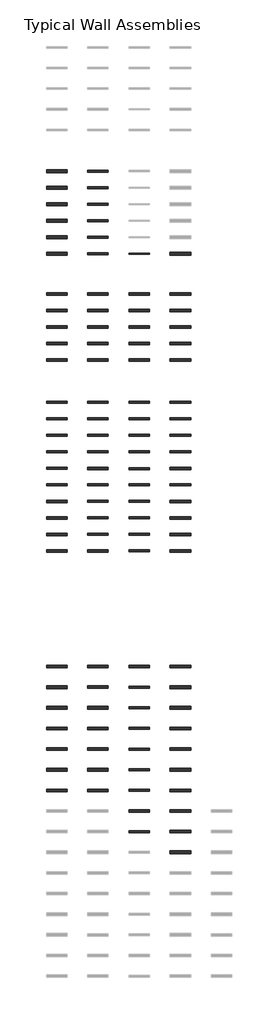
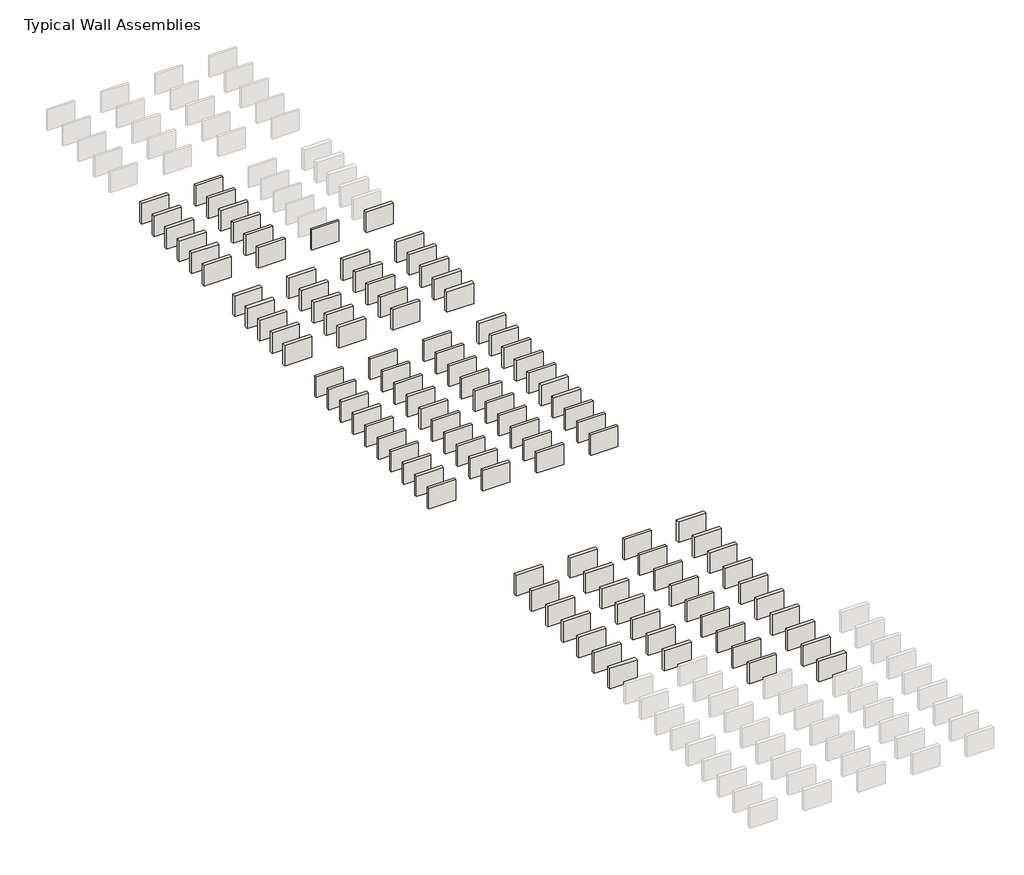
# One storey, part 2 of 8: 107 walls.
"""IFC4 building model written with IfcOpenShell, lengths in millimetres."""

from ifc_helpers import new_model, si_unit, frame, origin, place, context, project, spatial, polyline, outline, extrude, element, save

model = new_model("IFC4")

# Units and contexts
model_context = context("Model", 3, world=origin())
ifc_project = project(units=[si_unit("LENGTHUNIT", "METRE", prefix="MILLI")], contexts=[model_context])

# Site, building, storey
site = spatial("IfcSite", under=ifc_project)
building = spatial("IfcBuilding", under=site)
storey = spatial("IfcBuildingStorey", under=building, Name="Typical Wall Assemblies", Elevation=6096.0)

# Walls
placement = place(None, origin())
element("IfcWall", 1, at=placement, inside=storey, context=model_context, shape_type="SweptSolid", body=[
    extrude(outline(polyline([(-21027.125069, -20330.9967587), (-24075.125069, -20330.9967587), (-24075.125069, -19919.8342464), (-21027.125069, -19919.8342464), (-21027.125069, -20330.9967587)])), frame((0.0, 0.0, 6096.0), z_axis=(0.0, 0.0, 1.0), x_axis=(1.0, 0.0, 0.0)), (0.0, 0.0, 1.0), 2438.4),
])
element("IfcWall", 2, at=placement, inside=storey, context=model_context, shape_type="SweptSolid", body=[
    extrude(outline(polyline([(-14931.125069, -20287.3405068), (-17979.125069, -20287.3405068), (-17979.125069, -19963.4904983), (-14931.125069, -19963.4904983), (-14931.125069, -20287.3405068)])), frame((0.0, 0.0, 6096.0), z_axis=(0.0, 0.0, 1.0), x_axis=(1.0, 0.0, 0.0)), (0.0, 0.0, 1.0), 2438.4),
])
element("IfcWall", 3, at=placement, inside=storey, context=model_context, shape_type="SweptSolid", body=[
    extrude(outline(polyline([(-21027.125069, -22769.3967587), (-24075.125069, -22769.3967587), (-24075.125069, -22358.2342464), (-21027.125069, -22358.2342464), (-21027.125069, -22769.3967587)])), frame((0.0, 0.0, 6096.0), z_axis=(0.0, 0.0, 1.0), x_axis=(1.0, 0.0, 0.0)), (0.0, 0.0, 1.0), 2438.4),
])
element("IfcWall", 4, at=placement, inside=storey, context=model_context, shape_type="SweptSolid", body=[
    extrude(outline(polyline([(-14931.125069, -22725.7405068), (-17979.125069, -22725.7405068), (-17979.125069, -22401.8904983), (-14931.125069, -22401.8904983), (-14931.125069, -22725.7405068)])), frame((0.0, 0.0, 6096.0), z_axis=(0.0, 0.0, 1.0), x_axis=(1.0, 0.0, 0.0)), (0.0, 0.0, 1.0), 2438.4),
])
element("IfcWall", 5, at=placement, inside=storey, context=model_context, shape_type="SweptSolid", body=[
    extrude(outline(polyline([(-21027.125069, -25207.7967587), (-24075.125069, -25207.7967587), (-24075.125069, -24796.6342464), (-21027.125069, -24796.6342464), (-21027.125069, -25207.7967587)])), frame((0.0, 0.0, 6096.0), z_axis=(0.0, 0.0, 1.0), x_axis=(1.0, 0.0, 0.0)), (0.0, 0.0, 1.0), 2438.4),
])
element("IfcWall", 6, at=placement, inside=storey, context=model_context, shape_type="SweptSolid", body=[
    extrude(outline(polyline([(-14931.125069, -25164.1405068), (-17979.125069, -25164.1405068), (-17979.125069, -24840.2904983), (-14931.125069, -24840.2904983), (-14931.125069, -25164.1405068)])), frame((0.0, 0.0, 6096.0), z_axis=(0.0, 0.0, 1.0), x_axis=(1.0, 0.0, 0.0)), (0.0, 0.0, 1.0), 2438.4),
])
element("IfcWall", 7, at=placement, inside=storey, context=model_context, shape_type="SweptSolid", body=[
    extrude(outline(polyline([(-21027.125069, -27646.1967587), (-24075.125069, -27646.1967587), (-24075.125069, -27235.0342464), (-21027.125069, -27235.0342464), (-21027.125069, -27646.1967587)])), frame((0.0, 0.0, 6096.0), z_axis=(0.0, 0.0, 1.0), x_axis=(1.0, 0.0, 0.0)), (0.0, 0.0, 1.0), 2438.4),
])
element("IfcWall", 8, at=placement, inside=storey, context=model_context, shape_type="SweptSolid", body=[
    extrude(outline(polyline([(-14931.125069, -27602.5405068), (-17979.125069, -27602.5405068), (-17979.125069, -27278.6904983), (-14931.125069, -27278.6904983), (-14931.125069, -27602.5405068)])), frame((0.0, 0.0, 6096.0), z_axis=(0.0, 0.0, 1.0), x_axis=(1.0, 0.0, 0.0)), (0.0, 0.0, 1.0), 2438.4),
])
element("IfcWall", 9, at=placement, inside=storey, context=model_context, shape_type="SweptSolid", body=[
    extrude(outline(polyline([(-21027.125069, -30084.5967587), (-24075.125069, -30084.5967587), (-24075.125069, -29673.4342464), (-21027.125069, -29673.4342464), (-21027.125069, -30084.5967587)])), frame((0.0, 0.0, 6096.0), z_axis=(0.0, 0.0, 1.0), x_axis=(1.0, 0.0, 0.0)), (0.0, 0.0, 1.0), 2438.4),
])
element("IfcWall", 10, at=placement, inside=storey, context=model_context, shape_type="SweptSolid", body=[
    extrude(outline(polyline([(-14931.125069, -30040.9405068), (-17979.125069, -30040.9405068), (-17979.125069, -29717.0904983), (-14931.125069, -29717.0904983), (-14931.125069, -30040.9405068)])), frame((0.0, 0.0, 6096.0), z_axis=(0.0, 0.0, 1.0), x_axis=(1.0, 0.0, 0.0)), (0.0, 0.0, 1.0), 2438.4),
])
element("IfcWall", 11, at=placement, inside=storey, context=model_context, shape_type="SweptSolid", body=[
    extrude(outline(polyline([(-21027.125069, -32522.9967587), (-24075.125069, -32522.9967587), (-24075.125069, -32111.8342464), (-21027.125069, -32111.8342464), (-21027.125069, -32522.9967587)])), frame((0.0, 0.0, 6096.0), z_axis=(0.0, 0.0, 1.0), x_axis=(1.0, 0.0, 0.0)), (0.0, 0.0, 1.0), 2438.4),
])
element("IfcWall", 12, at=placement, inside=storey, context=model_context, shape_type="SweptSolid", body=[
    extrude(outline(polyline([(-14931.125069, -32479.3405068), (-17979.125069, -32479.3405068), (-17979.125069, -32155.4904983), (-14931.125069, -32155.4904983), (-14931.125069, -32479.3405068)])), frame((0.0, 0.0, 6096.0), z_axis=(0.0, 0.0, 1.0), x_axis=(1.0, 0.0, 0.0)), (0.0, 0.0, 1.0), 2438.4),
])
element("IfcWall", 13, at=placement, inside=storey, context=model_context, shape_type="SweptSolid", body=[
    extrude(outline(polyline([(-8835.125069, -32419.0155056), (-11883.125069, -32419.0155056), (-11883.125069, -32215.8154995), (-8835.125069, -32215.8154995), (-8835.125069, -32419.0155056)])), frame((0.0, 0.0, 6096.0), z_axis=(0.0, 0.0, 1.0), x_axis=(1.0, 0.0, 0.0)), (0.0, 0.0, 1.0), 2438.4),
])
element("IfcWall", 14, at=placement, inside=storey, context=model_context, shape_type="SweptSolid", body=[
    extrude(outline(polyline([(-2739.125069, -32522.9967587), (-5787.125069, -32522.9967587), (-5787.125069, -32111.8342464), (-2739.125069, -32111.8342464), (-2739.125069, -32522.9967587)])), frame((0.0, 0.0, 6096.0), z_axis=(0.0, 0.0, 1.0), x_axis=(1.0, 0.0, 0.0)), (0.0, 0.0, 1.0), 2438.4),
])
element("IfcWall", 15, at=placement, inside=storey, context=model_context, shape_type="SweptSolid", body=[
    extrude(outline(polyline([(-21027.125069, -38466.5967587), (-24075.125069, -38466.5967587), (-24075.125069, -38055.4342464), (-21027.125069, -38055.4342464), (-21027.125069, -38466.5967587)])), frame((0.0, 0.0, 6096.0), z_axis=(0.0, 0.0, 1.0), x_axis=(1.0, 0.0, 0.0)), (0.0, 0.0, 1.0), 2438.4),
])
element("IfcWall", 16, at=placement, inside=storey, context=model_context, shape_type="SweptSolid", body=[
    extrude(outline(polyline([(-14931.125069, -38461.8342587), (-17979.125069, -38461.8342587), (-17979.125069, -38060.1967464), (-14931.125069, -38060.1967464), (-14931.125069, -38461.8342587)])), frame((0.0, 0.0, 6096.0), z_axis=(0.0, 0.0, 1.0), x_axis=(1.0, 0.0, 0.0)), (0.0, 0.0, 1.0), 2438.4),
])
element("IfcWall", 17, at=placement, inside=storey, context=model_context, shape_type="SweptSolid", body=[
    extrude(outline(polyline([(-8835.125069, -38422.9405068), (-11883.125069, -38422.9405068), (-11883.125069, -38099.0904983), (-8835.125069, -38099.0904983), (-8835.125069, -38422.9405068)])), frame((0.0, 0.0, 6096.0), z_axis=(0.0, 0.0, 1.0), x_axis=(1.0, 0.0, 0.0)), (0.0, 0.0, 1.0), 2438.4),
])
element("IfcWall", 18, at=placement, inside=storey, context=model_context, shape_type="SweptSolid", body=[
    extrude(outline(polyline([(-2739.125069, -38466.5967587), (-5787.125069, -38466.5967587), (-5787.125069, -38055.4342464), (-2739.125069, -38055.4342464), (-2739.125069, -38466.5967587)])), frame((0.0, 0.0, 6096.0), z_axis=(0.0, 0.0, 1.0), x_axis=(1.0, 0.0, 0.0)), (0.0, 0.0, 1.0), 2438.4),
])
element("IfcWall", 19, at=placement, inside=storey, context=model_context, shape_type="SweptSolid", body=[
    extrude(outline(polyline([(-21027.125069, -40904.9967587), (-24075.125069, -40904.9967587), (-24075.125069, -40493.8342464), (-21027.125069, -40493.8342464), (-21027.125069, -40904.9967587)])), frame((0.0, 0.0, 6096.0), z_axis=(0.0, 0.0, 1.0), x_axis=(1.0, 0.0, 0.0)), (0.0, 0.0, 1.0), 2438.4),
])
element("IfcWall", 20, at=placement, inside=storey, context=model_context, shape_type="SweptSolid", body=[
    extrude(outline(polyline([(-14931.125069, -40900.2342587), (-17979.125069, -40900.2342587), (-17979.125069, -40498.5967464), (-14931.125069, -40498.5967464), (-14931.125069, -40900.2342587)])), frame((0.0, 0.0, 6096.0), z_axis=(0.0, 0.0, 1.0), x_axis=(1.0, 0.0, 0.0)), (0.0, 0.0, 1.0), 2438.4),
])
element("IfcWall", 21, at=placement, inside=storey, context=model_context, shape_type="SweptSolid", body=[
    extrude(outline(polyline([(-8835.125069, -40861.3405068), (-11883.125069, -40861.3405068), (-11883.125069, -40537.4904983), (-8835.125069, -40537.4904983), (-8835.125069, -40861.3405068)])), frame((0.0, 0.0, 6096.0), z_axis=(0.0, 0.0, 1.0), x_axis=(1.0, 0.0, 0.0)), (0.0, 0.0, 1.0), 2438.4),
])
element("IfcWall", 22, at=placement, inside=storey, context=model_context, shape_type="SweptSolid", body=[
    extrude(outline(polyline([(-2739.125069, -40904.9967587), (-5787.125069, -40904.9967587), (-5787.125069, -40493.8342464), (-2739.125069, -40493.8342464), (-2739.125069, -40904.9967587)])), frame((0.0, 0.0, 6096.0), z_axis=(0.0, 0.0, 1.0), x_axis=(1.0, 0.0, 0.0)), (0.0, 0.0, 1.0), 2438.4),
])
element("IfcWall", 23, at=placement, inside=storey, context=model_context, shape_type="SweptSolid", body=[
    extrude(outline(polyline([(-21027.125069, -43343.3967587), (-24075.125069, -43343.3967587), (-24075.125069, -42932.2342464), (-21027.125069, -42932.2342464), (-21027.125069, -43343.3967587)])), frame((0.0, 0.0, 6096.0), z_axis=(0.0, 0.0, 1.0), x_axis=(1.0, 0.0, 0.0)), (0.0, 0.0, 1.0), 2438.4),
])
element("IfcWall", 24, at=placement, inside=storey, context=model_context, shape_type="SweptSolid", body=[
    extrude(outline(polyline([(-14931.125069, -43338.6342587), (-17979.125069, -43338.6342587), (-17979.125069, -42936.9967464), (-14931.125069, -42936.9967464), (-14931.125069, -43338.6342587)])), frame((0.0, 0.0, 6096.0), z_axis=(0.0, 0.0, 1.0), x_axis=(1.0, 0.0, 0.0)), (0.0, 0.0, 1.0), 2438.4),
])
element("IfcWall", 25, at=placement, inside=storey, context=model_context, shape_type="SweptSolid", body=[
    extrude(outline(polyline([(-8835.125069, -43299.7405068), (-11883.125069, -43299.7405068), (-11883.125069, -42975.8904983), (-8835.125069, -42975.8904983), (-8835.125069, -43299.7405068)])), frame((0.0, 0.0, 6096.0), z_axis=(0.0, 0.0, 1.0), x_axis=(1.0, 0.0, 0.0)), (0.0, 0.0, 1.0), 2438.4),
])
element("IfcWall", 26, at=placement, inside=storey, context=model_context, shape_type="SweptSolid", body=[
    extrude(outline(polyline([(-2739.125069, -43343.3967587), (-5787.125069, -43343.3967587), (-5787.125069, -42932.2342464), (-2739.125069, -42932.2342464), (-2739.125069, -43343.3967587)])), frame((0.0, 0.0, 6096.0), z_axis=(0.0, 0.0, 1.0), x_axis=(1.0, 0.0, 0.0)), (0.0, 0.0, 1.0), 2438.4),
])
element("IfcWall", 27, at=placement, inside=storey, context=model_context, shape_type="SweptSolid", body=[
    extrude(outline(polyline([(-21027.125069, -45781.7967587), (-24075.125069, -45781.7967587), (-24075.125069, -45370.6342464), (-21027.125069, -45370.6342464), (-21027.125069, -45781.7967587)])), frame((0.0, 0.0, 6096.0), z_axis=(0.0, 0.0, 1.0), x_axis=(1.0, 0.0, 0.0)), (0.0, 0.0, 1.0), 2438.4),
])
element("IfcWall", 28, at=placement, inside=storey, context=model_context, shape_type="SweptSolid", body=[
    extrude(outline(polyline([(-14931.125069, -45777.0342587), (-17979.125069, -45777.0342587), (-17979.125069, -45375.3967464), (-14931.125069, -45375.3967464), (-14931.125069, -45777.0342587)])), frame((0.0, 0.0, 6096.0), z_axis=(0.0, 0.0, 1.0), x_axis=(1.0, 0.0, 0.0)), (0.0, 0.0, 1.0), 2438.4),
])
element("IfcWall", 29, at=placement, inside=storey, context=model_context, shape_type="SweptSolid", body=[
    extrude(outline(polyline([(-8835.125069, -45738.1405068), (-11883.125069, -45738.1405068), (-11883.125069, -45414.2904983), (-8835.125069, -45414.2904983), (-8835.125069, -45738.1405068)])), frame((0.0, 0.0, 6096.0), z_axis=(0.0, 0.0, 1.0), x_axis=(1.0, 0.0, 0.0)), (0.0, 0.0, 1.0), 2438.4),
])
element("IfcWall", 30, at=placement, inside=storey, context=model_context, shape_type="SweptSolid", body=[
    extrude(outline(polyline([(-2739.125069, -45781.7967587), (-5787.125069, -45781.7967587), (-5787.125069, -45370.6342464), (-2739.125069, -45370.6342464), (-2739.125069, -45781.7967587)])), frame((0.0, 0.0, 6096.0), z_axis=(0.0, 0.0, 1.0), x_axis=(1.0, 0.0, 0.0)), (0.0, 0.0, 1.0), 2438.4),
])
element("IfcWall", 31, at=placement, inside=storey, context=model_context, shape_type="SweptSolid", body=[
    extrude(outline(polyline([(-21027.125069, -48220.1967587), (-24075.125069, -48220.1967587), (-24075.125069, -47809.0342464), (-21027.125069, -47809.0342464), (-21027.125069, -48220.1967587)])), frame((0.0, 0.0, 6096.0), z_axis=(0.0, 0.0, 1.0), x_axis=(1.0, 0.0, 0.0)), (0.0, 0.0, 1.0), 2438.4),
])
element("IfcWall", 32, at=placement, inside=storey, context=model_context, shape_type="SweptSolid", body=[
    extrude(outline(polyline([(-14931.125069, -48215.4342587), (-17979.125069, -48215.4342587), (-17979.125069, -47813.7967464), (-14931.125069, -47813.7967464), (-14931.125069, -48215.4342587)])), frame((0.0, 0.0, 6096.0), z_axis=(0.0, 0.0, 1.0), x_axis=(1.0, 0.0, 0.0)), (0.0, 0.0, 1.0), 2438.4),
])
element("IfcWall", 33, at=placement, inside=storey, context=model_context, shape_type="SweptSolid", body=[
    extrude(outline(polyline([(-8835.125069, -48176.5405068), (-11883.125069, -48176.5405068), (-11883.125069, -47852.6904983), (-8835.125069, -47852.6904983), (-8835.125069, -48176.5405068)])), frame((0.0, 0.0, 6096.0), z_axis=(0.0, 0.0, 1.0), x_axis=(1.0, 0.0, 0.0)), (0.0, 0.0, 1.0), 2438.4),
])
element("IfcWall", 34, at=placement, inside=storey, context=model_context, shape_type="SweptSolid", body=[
    extrude(outline(polyline([(-2739.125069, -48220.1967587), (-5787.125069, -48220.1967587), (-5787.125069, -47809.0342464), (-2739.125069, -47809.0342464), (-2739.125069, -48220.1967587)])), frame((0.0, 0.0, 6096.0), z_axis=(0.0, 0.0, 1.0), x_axis=(1.0, 0.0, 0.0)), (0.0, 0.0, 1.0), 2438.4),
])
element("IfcWall", 35, at=placement, inside=storey, context=model_context, shape_type="SweptSolid", body=[
    extrude(outline(polyline([(-21027.125069, -54425.7342574), (-24075.125069, -54425.7342574), (-24075.125069, -54100.2967477), (-21027.125069, -54100.2967477), (-21027.125069, -54425.7342574)])), frame((0.0, 0.0, 6096.0), z_axis=(0.0, 0.0, 1.0), x_axis=(1.0, 0.0, 0.0)), (0.0, 0.0, 1.0), 2438.4),
])
element("IfcWall", 36, at=placement, inside=storey, context=model_context, shape_type="SweptSolid", body=[
    extrude(outline(polyline([(-14931.125069, -54420.9717574), (-17979.125069, -54420.9717574), (-17979.125069, -54105.0592477), (-14931.125069, -54105.0592477), (-14931.125069, -54420.9717574)])), frame((0.0, 0.0, 6096.0), z_axis=(0.0, 0.0, 1.0), x_axis=(1.0, 0.0, 0.0)), (0.0, 0.0, 1.0), 2438.4),
])
element("IfcWall", 37, at=placement, inside=storey, context=model_context, shape_type="SweptSolid", body=[
    extrude(outline(polyline([(-8835.125069, -54410.6530064), (-11883.125069, -54410.6530064), (-11883.125069, -54115.3779987), (-8835.125069, -54115.3779987), (-8835.125069, -54410.6530064)])), frame((0.0, 0.0, 6096.0), z_axis=(0.0, 0.0, 1.0), x_axis=(1.0, 0.0, 0.0)), (0.0, 0.0, 1.0), 2438.4),
])
element("IfcWall", 38, at=placement, inside=storey, context=model_context, shape_type="SweptSolid", body=[
    extrude(outline(polyline([(-2739.125069, -54425.7342574), (-5787.125069, -54425.7342574), (-5787.125069, -54100.2967477), (-2739.125069, -54100.2967477), (-2739.125069, -54425.7342574)])), frame((0.0, 0.0, 6096.0), z_axis=(0.0, 0.0, 1.0), x_axis=(1.0, 0.0, 0.0)), (0.0, 0.0, 1.0), 2438.4),
])
element("IfcWall", 39, at=placement, inside=storey, context=model_context, shape_type="SweptSolid", body=[
    extrude(outline(polyline([(-21027.125069, -56864.1342574), (-24075.125069, -56864.1342574), (-24075.125069, -56538.6967477), (-21027.125069, -56538.6967477), (-21027.125069, -56864.1342574)])), frame((0.0, 0.0, 6096.0), z_axis=(0.0, 0.0, 1.0), x_axis=(1.0, 0.0, 0.0)), (0.0, 0.0, 1.0), 2438.4),
])
element("IfcWall", 40, at=placement, inside=storey, context=model_context, shape_type="SweptSolid", body=[
    extrude(outline(polyline([(-21027.125069, -59302.5342574), (-24075.125069, -59302.5342574), (-24075.125069, -58977.0967477), (-21027.125069, -58977.0967477), (-21027.125069, -59302.5342574)])), frame((0.0, 0.0, 6096.0), z_axis=(0.0, 0.0, 1.0), x_axis=(1.0, 0.0, 0.0)), (0.0, 0.0, 1.0), 2438.4),
])
element("IfcWall", 41, at=placement, inside=storey, context=model_context, shape_type="SweptSolid", body=[
    extrude(outline(polyline([(-21027.125069, -61740.9342574), (-24075.125069, -61740.9342574), (-24075.125069, -61415.4967477), (-21027.125069, -61415.4967477), (-21027.125069, -61740.9342574)])), frame((0.0, 0.0, 6096.0), z_axis=(0.0, 0.0, 1.0), x_axis=(1.0, 0.0, 0.0)), (0.0, 0.0, 1.0), 2438.4),
])
element("IfcWall", 42, at=placement, inside=storey, context=model_context, shape_type="SweptSolid", body=[
    extrude(outline(polyline([(-21027.125069, -64179.3342574), (-24075.125069, -64179.3342574), (-24075.125069, -63853.8967477), (-21027.125069, -63853.8967477), (-21027.125069, -64179.3342574)])), frame((0.0, 0.0, 6096.0), z_axis=(0.0, 0.0, 1.0), x_axis=(1.0, 0.0, 0.0)), (0.0, 0.0, 1.0), 2438.4),
])
element("IfcWall", 43, at=placement, inside=storey, context=model_context, shape_type="SweptSolid", body=[
    extrude(outline(polyline([(-21027.125069, -66617.7342574), (-24075.125069, -66617.7342574), (-24075.125069, -66292.2967477), (-21027.125069, -66292.2967477), (-21027.125069, -66617.7342574)])), frame((0.0, 0.0, 6096.0), z_axis=(0.0, 0.0, 1.0), x_axis=(1.0, 0.0, 0.0)), (0.0, 0.0, 1.0), 2438.4),
])
element("IfcWall", 44, at=placement, inside=storey, context=model_context, shape_type="SweptSolid", body=[
    extrude(outline(polyline([(-21027.125069, -69056.1342574), (-24075.125069, -69056.1342574), (-24075.125069, -68730.6967477), (-21027.125069, -68730.6967477), (-21027.125069, -69056.1342574)])), frame((0.0, 0.0, 6096.0), z_axis=(0.0, 0.0, 1.0), x_axis=(1.0, 0.0, 0.0)), (0.0, 0.0, 1.0), 2438.4),
])
element("IfcWall", 45, at=placement, inside=storey, context=model_context, shape_type="SweptSolid", body=[
    extrude(outline(polyline([(-21027.125069, -71494.5342574), (-24075.125069, -71494.5342574), (-24075.125069, -71169.0967477), (-21027.125069, -71169.0967477), (-21027.125069, -71494.5342574)])), frame((0.0, 0.0, 6096.0), z_axis=(0.0, 0.0, 1.0), x_axis=(1.0, 0.0, 0.0)), (0.0, 0.0, 1.0), 2438.4),
])
element("IfcWall", 46, at=placement, inside=storey, context=model_context, shape_type="SweptSolid", body=[
    extrude(outline(polyline([(-21027.125069, -73932.9342574), (-24075.125069, -73932.9342574), (-24075.125069, -73607.4967477), (-21027.125069, -73607.4967477), (-21027.125069, -73932.9342574)])), frame((0.0, 0.0, 6096.0), z_axis=(0.0, 0.0, 1.0), x_axis=(1.0, 0.0, 0.0)), (0.0, 0.0, 1.0), 2438.4),
])
element("IfcWall", 47, at=placement, inside=storey, context=model_context, shape_type="SweptSolid", body=[
    extrude(outline(polyline([(-21027.125069, -76371.3342574), (-24075.125069, -76371.3342574), (-24075.125069, -76045.8967477), (-21027.125069, -76045.8967477), (-21027.125069, -76371.3342574)])), frame((0.0, 0.0, 6096.0), z_axis=(0.0, 0.0, 1.0), x_axis=(1.0, 0.0, 0.0)), (0.0, 0.0, 1.0), 2438.4),
])
element("IfcWall", 48, at=placement, inside=storey, context=model_context, shape_type="SweptSolid", body=[
    extrude(outline(polyline([(-14931.125069, -76366.5717574), (-17979.125069, -76366.5717574), (-17979.125069, -76050.6592477), (-14931.125069, -76050.6592477), (-14931.125069, -76366.5717574)])), frame((0.0, 0.0, 6096.0), z_axis=(0.0, 0.0, 1.0), x_axis=(1.0, 0.0, 0.0)), (0.0, 0.0, 1.0), 2438.4),
])
element("IfcWall", 49, at=placement, inside=storey, context=model_context, shape_type="SweptSolid", body=[
    extrude(outline(polyline([(-8835.125069, -76356.2530064), (-11883.125069, -76356.2530064), (-11883.125069, -76060.9779987), (-8835.125069, -76060.9779987), (-8835.125069, -76356.2530064)])), frame((0.0, 0.0, 6096.0), z_axis=(0.0, 0.0, 1.0), x_axis=(1.0, 0.0, 0.0)), (0.0, 0.0, 1.0), 2438.4),
])
element("IfcWall", 50, at=placement, inside=storey, context=model_context, shape_type="SweptSolid", body=[
    extrude(outline(polyline([(-2739.125069, -76371.3342574), (-5787.125069, -76371.3342574), (-5787.125069, -76045.8967477), (-2739.125069, -76045.8967477), (-2739.125069, -76371.3342574)])), frame((0.0, 0.0, 6096.0), z_axis=(0.0, 0.0, 1.0), x_axis=(1.0, 0.0, 0.0)), (0.0, 0.0, 1.0), 2438.4),
])
element("IfcWall", 51, at=placement, inside=storey, context=model_context, shape_type="SweptSolid", body=[
    extrude(outline(polyline([(-8835.125069, -93432.9905038), (-11883.125069, -93432.9905038), (-11883.125069, -93121.8405013), (-8835.125069, -93121.8405013), (-8835.125069, -93432.9905038)])), frame((0.0, 0.0, 6096.0), z_axis=(0.0, 0.0, 1.0), x_axis=(1.0, 0.0, 0.0)), (0.0, 0.0, 1.0), 2438.4),
])
element("IfcWall", 52, at=placement, inside=storey, context=model_context, shape_type="SweptSolid", body=[
    extrude(outline(polyline([(-2739.125069, -93476.6467556), (-5787.125069, -93476.6467556), (-5787.125069, -93078.1842494), (-2739.125069, -93078.1842494), (-2739.125069, -93476.6467556)])), frame((0.0, 0.0, 6096.0), z_axis=(0.0, 0.0, 1.0), x_axis=(1.0, 0.0, 0.0)), (0.0, 0.0, 1.0), 2438.4),
])
element("IfcWall", 53, at=placement, inside=storey, context=model_context, shape_type="SweptSolid", body=[
    extrude(outline(polyline([(-21027.125069, -96524.6467556), (-24075.125069, -96524.6467556), (-24075.125069, -96126.1842494), (-21027.125069, -96126.1842494), (-21027.125069, -96524.6467556)])), frame((0.0, 0.0, 6096.0), z_axis=(0.0, 0.0, 1.0), x_axis=(1.0, 0.0, 0.0)), (0.0, 0.0, 1.0), 2438.4),
])
element("IfcWall", 54, at=placement, inside=storey, context=model_context, shape_type="SweptSolid", body=[
    extrude(outline(polyline([(-14931.125069, -96519.8842556), (-17979.125069, -96519.8842556), (-17979.125069, -96130.9467494), (-14931.125069, -96130.9467494), (-14931.125069, -96519.8842556)])), frame((0.0, 0.0, 6096.0), z_axis=(0.0, 0.0, 1.0), x_axis=(1.0, 0.0, 0.0)), (0.0, 0.0, 1.0), 2438.4),
])
element("IfcWall", 55, at=placement, inside=storey, context=model_context, shape_type="SweptSolid", body=[
    extrude(outline(polyline([(-8835.125069, -96480.9905038), (-11883.125069, -96480.9905038), (-11883.125069, -96169.8405013), (-8835.125069, -96169.8405013), (-8835.125069, -96480.9905038)])), frame((0.0, 0.0, 6096.0), z_axis=(0.0, 0.0, 1.0), x_axis=(1.0, 0.0, 0.0)), (0.0, 0.0, 1.0), 2438.4),
])
element("IfcWall", 56, at=placement, inside=storey, context=model_context, shape_type="SweptSolid", body=[
    extrude(outline(polyline([(-2739.125069, -96524.6467556), (-5787.125069, -96524.6467556), (-5787.125069, -96126.1842494), (-2739.125069, -96126.1842494), (-2739.125069, -96524.6467556)])), frame((0.0, 0.0, 6096.0), z_axis=(0.0, 0.0, 1.0), x_axis=(1.0, 0.0, 0.0)), (0.0, 0.0, 1.0), 2438.4),
])
element("IfcWall", 57, at=placement, inside=storey, context=model_context, shape_type="SweptSolid", body=[
    extrude(outline(polyline([(-8835.125069, -99528.9905038), (-11883.125069, -99528.9905038), (-11883.125069, -99217.8405013), (-8835.125069, -99217.8405013), (-8835.125069, -99528.9905038)])), frame((0.0, 0.0, 6096.0), z_axis=(0.0, 0.0, 1.0), x_axis=(1.0, 0.0, 0.0)), (0.0, 0.0, 1.0), 2438.4),
])
element("IfcWall", 58, at=placement, inside=storey, context=model_context, shape_type="SweptSolid", body=[
    extrude(outline(polyline([(-8835.125069, -102576.9905038), (-11883.125069, -102576.9905038), (-11883.125069, -102265.8405013), (-8835.125069, -102265.8405013), (-8835.125069, -102576.9905038)])), frame((0.0, 0.0, 6096.0), z_axis=(0.0, 0.0, 1.0), x_axis=(1.0, 0.0, 0.0)), (0.0, 0.0, 1.0), 2438.4),
])
element("IfcWall", 59, at=placement, inside=storey, context=model_context, shape_type="SweptSolid", body=[
    extrude(outline(polyline([(-21027.125069, -105668.6467556), (-24075.125069, -105668.6467556), (-24075.125069, -105270.1842494), (-21027.125069, -105270.1842494), (-21027.125069, -105668.6467556)])), frame((0.0, 0.0, 6096.0), z_axis=(0.0, 0.0, 1.0), x_axis=(1.0, 0.0, 0.0)), (0.0, 0.0, 1.0), 2438.4),
])
element("IfcWall", 60, at=placement, inside=storey, context=model_context, shape_type="SweptSolid", body=[
    extrude(outline(polyline([(-14931.125069, -105663.8842556), (-17979.125069, -105663.8842556), (-17979.125069, -105274.9467494), (-14931.125069, -105274.9467494), (-14931.125069, -105663.8842556)])), frame((0.0, 0.0, 6096.0), z_axis=(0.0, 0.0, 1.0), x_axis=(1.0, 0.0, 0.0)), (0.0, 0.0, 1.0), 2438.4),
])
element("IfcWall", 61, at=placement, inside=storey, context=model_context, shape_type="SweptSolid", body=[
    extrude(outline(polyline([(-8835.125069, -105624.9905038), (-11883.125069, -105624.9905038), (-11883.125069, -105313.8405013), (-8835.125069, -105313.8405013), (-8835.125069, -105624.9905038)])), frame((0.0, 0.0, 6096.0), z_axis=(0.0, 0.0, 1.0), x_axis=(1.0, 0.0, 0.0)), (0.0, 0.0, 1.0), 2438.4),
])
element("IfcWall", 62, at=placement, inside=storey, context=model_context, shape_type="SweptSolid", body=[
    extrude(outline(polyline([(-21027.125069, -108716.6467556), (-24075.125069, -108716.6467556), (-24075.125069, -108318.1842494), (-21027.125069, -108318.1842494), (-21027.125069, -108716.6467556)])), frame((0.0, 0.0, 6096.0), z_axis=(0.0, 0.0, 1.0), x_axis=(1.0, 0.0, 0.0)), (0.0, 0.0, 1.0), 2438.4),
])
element("IfcWall", 63, at=placement, inside=storey, context=model_context, shape_type="SweptSolid", body=[
    extrude(outline(polyline([(-14931.125069, -108711.8842556), (-17979.125069, -108711.8842556), (-17979.125069, -108322.9467494), (-14931.125069, -108322.9467494), (-14931.125069, -108711.8842556)])), frame((0.0, 0.0, 6096.0), z_axis=(0.0, 0.0, 1.0), x_axis=(1.0, 0.0, 0.0)), (0.0, 0.0, 1.0), 2438.4),
])
element("IfcWall", 64, at=placement, inside=storey, context=model_context, shape_type="SweptSolid", body=[
    extrude(outline(polyline([(-8835.125069, -108672.9905038), (-11883.125069, -108672.9905038), (-11883.125069, -108361.8405013), (-8835.125069, -108361.8405013), (-8835.125069, -108672.9905038)])), frame((0.0, 0.0, 6096.0), z_axis=(0.0, 0.0, 1.0), x_axis=(1.0, 0.0, 0.0)), (0.0, 0.0, 1.0), 2438.4),
])
element("IfcWall", 65, at=placement, inside=storey, context=model_context, shape_type="SweptSolid", body=[
    extrude(outline(polyline([(-21027.125069, -111764.6467556), (-24075.125069, -111764.6467556), (-24075.125069, -111366.1842494), (-21027.125069, -111366.1842494), (-21027.125069, -111764.6467556)])), frame((0.0, 0.0, 6096.0), z_axis=(0.0, 0.0, 1.0), x_axis=(1.0, 0.0, 0.0)), (0.0, 0.0, 1.0), 2438.4),
])
element("IfcWall", 66, at=placement, inside=storey, context=model_context, shape_type="SweptSolid", body=[
    extrude(outline(polyline([(-14931.125069, -111759.8842556), (-17979.125069, -111759.8842556), (-17979.125069, -111370.9467494), (-14931.125069, -111370.9467494), (-14931.125069, -111759.8842556)])), frame((0.0, 0.0, 6096.0), z_axis=(0.0, 0.0, 1.0), x_axis=(1.0, 0.0, 0.0)), (0.0, 0.0, 1.0), 2438.4),
])
element("IfcWall", 67, at=placement, inside=storey, context=model_context, shape_type="SweptSolid", body=[
    extrude(outline(polyline([(-8835.125069, -111720.9905038), (-11883.125069, -111720.9905038), (-11883.125069, -111409.8405013), (-8835.125069, -111409.8405013), (-8835.125069, -111720.9905038)])), frame((0.0, 0.0, 6096.0), z_axis=(0.0, 0.0, 1.0), x_axis=(1.0, 0.0, 0.0)), (0.0, 0.0, 1.0), 2438.4),
])
element("IfcWall", 68, at=placement, inside=storey, context=model_context, shape_type="SweptSolid", body=[
    extrude(outline(polyline([(-2739.125069, -111764.6467556), (-5787.125069, -111764.6467556), (-5787.125069, -111366.1842494), (-2739.125069, -111366.1842494), (-2739.125069, -111764.6467556)])), frame((0.0, 0.0, 6096.0), z_axis=(0.0, 0.0, 1.0), x_axis=(1.0, 0.0, 0.0)), (0.0, 0.0, 1.0), 2438.4),
])
element("IfcWall", 69, at=placement, inside=storey, context=model_context, shape_type="SweptSolid", body=[
    extrude(outline(polyline([(-8835.125069, -114768.9905038), (-11883.125069, -114768.9905038), (-11883.125069, -114457.8405013), (-8835.125069, -114457.8405013), (-8835.125069, -114768.9905038)])), frame((0.0, 0.0, 6096.0), z_axis=(0.0, 0.0, 1.0), x_axis=(1.0, 0.0, 0.0)), (0.0, 0.0, 1.0), 2438.4),
])
element("IfcWall", 70, at=placement, inside=storey, context=model_context, shape_type="SweptSolid", body=[
    extrude(outline(polyline([(-2739.125069, -114812.6467556), (-5787.125069, -114812.6467556), (-5787.125069, -114414.1842494), (-2739.125069, -114414.1842494), (-2739.125069, -114812.6467556)])), frame((0.0, 0.0, 6096.0), z_axis=(0.0, 0.0, 1.0), x_axis=(1.0, 0.0, 0.0)), (0.0, 0.0, 1.0), 2438.4),
])
element("IfcWall", 71, at=placement, inside=storey, context=model_context, shape_type="SweptSolid", body=[
    extrude(outline(polyline([(-8835.125069, -117816.9905038), (-11883.125069, -117816.9905038), (-11883.125069, -117505.8405013), (-8835.125069, -117505.8405013), (-8835.125069, -117816.9905038)])), frame((0.0, 0.0, 6096.0), z_axis=(0.0, 0.0, 1.0), x_axis=(1.0, 0.0, 0.0)), (0.0, 0.0, 1.0), 2438.4),
])
element("IfcWall", 72, at=placement, inside=storey, context=model_context, shape_type="SweptSolid", body=[
    extrude(outline(polyline([(-2739.125069, -117860.6467556), (-5787.125069, -117860.6467556), (-5787.125069, -117462.1842494), (-2739.125069, -117462.1842494), (-2739.125069, -117860.6467556)])), frame((0.0, 0.0, 6096.0), z_axis=(0.0, 0.0, 1.0), x_axis=(1.0, 0.0, 0.0)), (0.0, 0.0, 1.0), 2438.4),
])
element("IfcWall", 73, at=placement, inside=storey, context=model_context, shape_type="SweptSolid", body=[
    extrude(outline(polyline([(-2739.125069, -120908.6467556), (-5787.125069, -120908.6467556), (-5787.125069, -120510.1842494), (-2739.125069, -120510.1842494), (-2739.125069, -120908.6467556)])), frame((0.0, 0.0, 6096.0), z_axis=(0.0, 0.0, 1.0), x_axis=(1.0, 0.0, 0.0)), (0.0, 0.0, 1.0), 2438.4),
])
element("IfcWall", 74, at=placement, inside=storey, context=model_context, shape_type="SweptSolid", body=[
    extrude(outline(polyline([(-14931.125069, -56859.3717574), (-17979.125069, -56859.3717574), (-17979.125069, -56543.4592477), (-14931.125069, -56543.4592477), (-14931.125069, -56859.3717574)])), frame((0.0, 0.0, 6096.0), z_axis=(0.0, 0.0, 1.0), x_axis=(1.0, 0.0, 0.0)), (0.0, 0.0, 1.0), 2438.4),
])
element("IfcWall", 75, at=placement, inside=storey, context=model_context, shape_type="SweptSolid", body=[
    extrude(outline(polyline([(-8835.125069, -56849.0530064), (-11883.125069, -56849.0530064), (-11883.125069, -56553.7779987), (-8835.125069, -56553.7779987), (-8835.125069, -56849.0530064)])), frame((0.0, 0.0, 6096.0), z_axis=(0.0, 0.0, 1.0), x_axis=(1.0, 0.0, 0.0)), (0.0, 0.0, 1.0), 2438.4),
])
element("IfcWall", 76, at=placement, inside=storey, context=model_context, shape_type="SweptSolid", body=[
    extrude(outline(polyline([(-2739.125069, -56864.1342574), (-5787.125069, -56864.1342574), (-5787.125069, -56538.6967477), (-2739.125069, -56538.6967477), (-2739.125069, -56864.1342574)])), frame((0.0, 0.0, 6096.0), z_axis=(0.0, 0.0, 1.0), x_axis=(1.0, 0.0, 0.0)), (0.0, 0.0, 1.0), 2438.4),
])
element("IfcWall", 77, at=placement, inside=storey, context=model_context, shape_type="SweptSolid", body=[
    extrude(outline(polyline([(-14931.125069, -59297.7717574), (-17979.125069, -59297.7717574), (-17979.125069, -58981.8592477), (-14931.125069, -58981.8592477), (-14931.125069, -59297.7717574)])), frame((0.0, 0.0, 6096.0), z_axis=(0.0, 0.0, 1.0), x_axis=(1.0, 0.0, 0.0)), (0.0, 0.0, 1.0), 2438.4),
])
element("IfcWall", 78, at=placement, inside=storey, context=model_context, shape_type="SweptSolid", body=[
    extrude(outline(polyline([(-8835.125069, -59287.4530064), (-11883.125069, -59287.4530064), (-11883.125069, -58992.1779987), (-8835.125069, -58992.1779987), (-8835.125069, -59287.4530064)])), frame((0.0, 0.0, 6096.0), z_axis=(0.0, 0.0, 1.0), x_axis=(1.0, 0.0, 0.0)), (0.0, 0.0, 1.0), 2438.4),
])
element("IfcWall", 79, at=placement, inside=storey, context=model_context, shape_type="SweptSolid", body=[
    extrude(outline(polyline([(-2739.125069, -59302.5342574), (-5787.125069, -59302.5342574), (-5787.125069, -58977.0967477), (-2739.125069, -58977.0967477), (-2739.125069, -59302.5342574)])), frame((0.0, 0.0, 6096.0), z_axis=(0.0, 0.0, 1.0), x_axis=(1.0, 0.0, 0.0)), (0.0, 0.0, 1.0), 2438.4),
])
element("IfcWall", 80, at=placement, inside=storey, context=model_context, shape_type="SweptSolid", body=[
    extrude(outline(polyline([(-14931.125069, -61736.1717574), (-17979.125069, -61736.1717574), (-17979.125069, -61420.2592477), (-14931.125069, -61420.2592477), (-14931.125069, -61736.1717574)])), frame((0.0, 0.0, 6096.0), z_axis=(0.0, 0.0, 1.0), x_axis=(1.0, 0.0, 0.0)), (0.0, 0.0, 1.0), 2438.4),
])
element("IfcWall", 81, at=placement, inside=storey, context=model_context, shape_type="SweptSolid", body=[
    extrude(outline(polyline([(-8835.125069, -61725.8530064), (-11883.125069, -61725.8530064), (-11883.125069, -61430.5779987), (-8835.125069, -61430.5779987), (-8835.125069, -61725.8530064)])), frame((0.0, 0.0, 6096.0), z_axis=(0.0, 0.0, 1.0), x_axis=(1.0, 0.0, 0.0)), (0.0, 0.0, 1.0), 2438.4),
])
element("IfcWall", 82, at=placement, inside=storey, context=model_context, shape_type="SweptSolid", body=[
    extrude(outline(polyline([(-2739.125069, -61740.9342574), (-5787.125069, -61740.9342574), (-5787.125069, -61415.4967477), (-2739.125069, -61415.4967477), (-2739.125069, -61740.9342574)])), frame((0.0, 0.0, 6096.0), z_axis=(0.0, 0.0, 1.0), x_axis=(1.0, 0.0, 0.0)), (0.0, 0.0, 1.0), 2438.4),
])
element("IfcWall", 83, at=placement, inside=storey, context=model_context, shape_type="SweptSolid", body=[
    extrude(outline(polyline([(-14931.125069, -64199.9717574), (-17979.125069, -64199.9717574), (-17979.125069, -63884.0592477), (-14931.125069, -63884.0592477), (-14931.125069, -64199.9717574)])), frame((0.0, 0.0, 6096.0), z_axis=(0.0, 0.0, 1.0), x_axis=(1.0, 0.0, 0.0)), (0.0, 0.0, 1.0), 2438.4),
])
element("IfcWall", 84, at=placement, inside=storey, context=model_context, shape_type="SweptSolid", body=[
    extrude(outline(polyline([(-8835.125069, -64189.6530064), (-11883.125069, -64189.6530064), (-11883.125069, -63894.3779987), (-8835.125069, -63894.3779987), (-8835.125069, -64189.6530064)])), frame((0.0, 0.0, 6096.0), z_axis=(0.0, 0.0, 1.0), x_axis=(1.0, 0.0, 0.0)), (0.0, 0.0, 1.0), 2438.4),
])
element("IfcWall", 85, at=placement, inside=storey, context=model_context, shape_type="SweptSolid", body=[
    extrude(outline(polyline([(-2739.125069, -64204.7342574), (-5787.125069, -64204.7342574), (-5787.125069, -63879.2967477), (-2739.125069, -63879.2967477), (-2739.125069, -64204.7342574)])), frame((0.0, 0.0, 6096.0), z_axis=(0.0, 0.0, 1.0), x_axis=(1.0, 0.0, 0.0)), (0.0, 0.0, 1.0), 2438.4),
])
element("IfcWall", 86, at=placement, inside=storey, context=model_context, shape_type="SweptSolid", body=[
    extrude(outline(polyline([(-14931.125069, -66612.9717574), (-17979.125069, -66612.9717574), (-17979.125069, -66297.0592477), (-14931.125069, -66297.0592477), (-14931.125069, -66612.9717574)])), frame((0.0, 0.0, 6096.0), z_axis=(0.0, 0.0, 1.0), x_axis=(1.0, 0.0, 0.0)), (0.0, 0.0, 1.0), 2438.4),
])
element("IfcWall", 87, at=placement, inside=storey, context=model_context, shape_type="SweptSolid", body=[
    extrude(outline(polyline([(-8835.125069, -66602.6530064), (-11883.125069, -66602.6530064), (-11883.125069, -66307.3779987), (-8835.125069, -66307.3779987), (-8835.125069, -66602.6530064)])), frame((0.0, 0.0, 6096.0), z_axis=(0.0, 0.0, 1.0), x_axis=(1.0, 0.0, 0.0)), (0.0, 0.0, 1.0), 2438.4),
])
element("IfcWall", 88, at=placement, inside=storey, context=model_context, shape_type="SweptSolid", body=[
    extrude(outline(polyline([(-2739.125069, -66617.7342574), (-5787.125069, -66617.7342574), (-5787.125069, -66292.2967477), (-2739.125069, -66292.2967477), (-2739.125069, -66617.7342574)])), frame((0.0, 0.0, 6096.0), z_axis=(0.0, 0.0, 1.0), x_axis=(1.0, 0.0, 0.0)), (0.0, 0.0, 1.0), 2438.4),
])
element("IfcWall", 89, at=placement, inside=storey, context=model_context, shape_type="SweptSolid", body=[
    extrude(outline(polyline([(-14931.125069, -69051.3717574), (-17979.125069, -69051.3717574), (-17979.125069, -68735.4592477), (-14931.125069, -68735.4592477), (-14931.125069, -69051.3717574)])), frame((0.0, 0.0, 6096.0), z_axis=(0.0, 0.0, 1.0), x_axis=(1.0, 0.0, 0.0)), (0.0, 0.0, 1.0), 2438.4),
])
element("IfcWall", 90, at=placement, inside=storey, context=model_context, shape_type="SweptSolid", body=[
    extrude(outline(polyline([(-8835.125069, -69041.0530064), (-11883.125069, -69041.0530064), (-11883.125069, -68745.7779987), (-8835.125069, -68745.7779987), (-8835.125069, -69041.0530064)])), frame((0.0, 0.0, 6096.0), z_axis=(0.0, 0.0, 1.0), x_axis=(1.0, 0.0, 0.0)), (0.0, 0.0, 1.0), 2438.4),
])
element("IfcWall", 91, at=placement, inside=storey, context=model_context, shape_type="SweptSolid", body=[
    extrude(outline(polyline([(-2739.125069, -69056.1342574), (-5787.125069, -69056.1342574), (-5787.125069, -68730.6967477), (-2739.125069, -68730.6967477), (-2739.125069, -69056.1342574)])), frame((0.0, 0.0, 6096.0), z_axis=(0.0, 0.0, 1.0), x_axis=(1.0, 0.0, 0.0)), (0.0, 0.0, 1.0), 2438.4),
])
element("IfcWall", 92, at=placement, inside=storey, context=model_context, shape_type="SweptSolid", body=[
    extrude(outline(polyline([(-14931.125069, -71489.7717574), (-17979.125069, -71489.7717574), (-17979.125069, -71173.8592477), (-14931.125069, -71173.8592477), (-14931.125069, -71489.7717574)])), frame((0.0, 0.0, 6096.0), z_axis=(0.0, 0.0, 1.0), x_axis=(1.0, 0.0, 0.0)), (0.0, 0.0, 1.0), 2438.4),
])
element("IfcWall", 93, at=placement, inside=storey, context=model_context, shape_type="SweptSolid", body=[
    extrude(outline(polyline([(-8835.125069, -71479.4530064), (-11883.125069, -71479.4530064), (-11883.125069, -71184.1779987), (-8835.125069, -71184.1779987), (-8835.125069, -71479.4530064)])), frame((0.0, 0.0, 6096.0), z_axis=(0.0, 0.0, 1.0), x_axis=(1.0, 0.0, 0.0)), (0.0, 0.0, 1.0), 2438.4),
])
element("IfcWall", 94, at=placement, inside=storey, context=model_context, shape_type="SweptSolid", body=[
    extrude(outline(polyline([(-2739.125069, -71494.5342574), (-5787.125069, -71494.5342574), (-5787.125069, -71169.0967477), (-2739.125069, -71169.0967477), (-2739.125069, -71494.5342574)])), frame((0.0, 0.0, 6096.0), z_axis=(0.0, 0.0, 1.0), x_axis=(1.0, 0.0, 0.0)), (0.0, 0.0, 1.0), 2438.4),
])
element("IfcWall", 95, at=placement, inside=storey, context=model_context, shape_type="SweptSolid", body=[
    extrude(outline(polyline([(-14931.125069, -73928.1717574), (-17979.125069, -73928.1717574), (-17979.125069, -73612.2592477), (-14931.125069, -73612.2592477), (-14931.125069, -73928.1717574)])), frame((0.0, 0.0, 6096.0), z_axis=(0.0, 0.0, 1.0), x_axis=(1.0, 0.0, 0.0)), (0.0, 0.0, 1.0), 2438.4),
])
element("IfcWall", 96, at=placement, inside=storey, context=model_context, shape_type="SweptSolid", body=[
    extrude(outline(polyline([(-8835.125069, -73917.8530064), (-11883.125069, -73917.8530064), (-11883.125069, -73622.5779987), (-8835.125069, -73622.5779987), (-8835.125069, -73917.8530064)])), frame((0.0, 0.0, 6096.0), z_axis=(0.0, 0.0, 1.0), x_axis=(1.0, 0.0, 0.0)), (0.0, 0.0, 1.0), 2438.4),
])
element("IfcWall", 97, at=placement, inside=storey, context=model_context, shape_type="SweptSolid", body=[
    extrude(outline(polyline([(-2739.125069, -73932.9342574), (-5787.125069, -73932.9342574), (-5787.125069, -73607.4967477), (-2739.125069, -73607.4967477), (-2739.125069, -73932.9342574)])), frame((0.0, 0.0, 6096.0), z_axis=(0.0, 0.0, 1.0), x_axis=(1.0, 0.0, 0.0)), (0.0, 0.0, 1.0), 2438.4),
])
element("IfcWall", 98, ObjectType="Mutual Materials - Face Brick - Alpine Mist over 8\" CIP", at=placement, inside=storey, context=model_context, shape_type="SweptSolid", body=[
    extrude(outline(polyline([(-21027.125069, -93476.6467556), (-24075.125069, -93476.6467556), (-24075.125069, -93078.1842494), (-21027.125069, -93078.1842494), (-21027.125069, -93476.6467556)])), frame((0.0, 0.0, 6096.0), z_axis=(0.0, 0.0, 1.0), x_axis=(1.0, 0.0, 0.0)), (0.0, 0.0, 1.0), 2438.4),
])
element("IfcWall", 99, ObjectType="Mutual Materials - Face Brick - Alpine Mist over 8\" CMU", at=placement, inside=storey, context=model_context, shape_type="SweptSolid", body=[
    extrude(outline(polyline([(-14931.125069, -93471.8842556), (-17979.125069, -93471.8842556), (-17979.125069, -93082.9467494), (-14931.125069, -93082.9467494), (-14931.125069, -93471.8842556)])), frame((0.0, 0.0, 6096.0), z_axis=(0.0, 0.0, 1.0), x_axis=(1.0, 0.0, 0.0)), (0.0, 0.0, 1.0), 2438.4),
])
element("IfcWall", 100, ObjectType="Mutual Materials - Face Brick - Burgundy Smooth over 8\" CIP", at=placement, inside=storey, context=model_context, shape_type="SweptSolid", body=[
    extrude(outline(polyline([(-21027.125069, -99572.6467556), (-24075.125069, -99572.6467556), (-24075.125069, -99174.1842494), (-21027.125069, -99174.1842494), (-21027.125069, -99572.6467556)])), frame((0.0, 0.0, 6096.0), z_axis=(0.0, 0.0, 1.0), x_axis=(1.0, 0.0, 0.0)), (0.0, 0.0, 1.0), 2438.4),
])
element("IfcWall", 101, ObjectType="Mutual Materials - Face Brick - Burgundy Smooth over 8\" CMU", at=placement, inside=storey, context=model_context, shape_type="SweptSolid", body=[
    extrude(outline(polyline([(-14931.125069, -99567.8842556), (-17979.125069, -99567.8842556), (-17979.125069, -99178.9467494), (-14931.125069, -99178.9467494), (-14931.125069, -99567.8842556)])), frame((0.0, 0.0, 6096.0), z_axis=(0.0, 0.0, 1.0), x_axis=(1.0, 0.0, 0.0)), (0.0, 0.0, 1.0), 2438.4),
])
element("IfcWall", 102, ObjectType="Mutual Materials - Face Brick - Canyon Mist over 8\" CIP", at=placement, inside=storey, context=model_context, shape_type="SweptSolid", body=[
    extrude(outline(polyline([(-2739.125069, -99572.6467556), (-5787.125069, -99572.6467556), (-5787.125069, -99174.1842494), (-2739.125069, -99174.1842494), (-2739.125069, -99572.6467556)])), frame((0.0, 0.0, 6096.0), z_axis=(0.0, 0.0, 1.0), x_axis=(1.0, 0.0, 0.0)), (0.0, 0.0, 1.0), 2438.4),
])
element("IfcWall", 103, ObjectType="Mutual Materials - Face Brick - Cedar Creek over 8\" CIP", at=placement, inside=storey, context=model_context, shape_type="SweptSolid", body=[
    extrude(outline(polyline([(-21027.125069, -102620.6467556), (-24075.125069, -102620.6467556), (-24075.125069, -102222.1842494), (-21027.125069, -102222.1842494), (-21027.125069, -102620.6467556)])), frame((0.0, 0.0, 6096.0), z_axis=(0.0, 0.0, 1.0), x_axis=(1.0, 0.0, 0.0)), (0.0, 0.0, 1.0), 2438.4),
])
element("IfcWall", 104, ObjectType="Mutual Materials - Face Brick - Cedar Creek over 8\" CMU", at=placement, inside=storey, context=model_context, shape_type="SweptSolid", body=[
    extrude(outline(polyline([(-14931.125069, -102615.8842556), (-17979.125069, -102615.8842556), (-17979.125069, -102226.9467494), (-14931.125069, -102226.9467494), (-14931.125069, -102615.8842556)])), frame((0.0, 0.0, 6096.0), z_axis=(0.0, 0.0, 1.0), x_axis=(1.0, 0.0, 0.0)), (0.0, 0.0, 1.0), 2438.4),
])
element("IfcWall", 105, ObjectType="Mutual Materials - Face Brick - Chateau Gray over 8\" CIP", at=placement, inside=storey, context=model_context, shape_type="SweptSolid", body=[
    extrude(outline(polyline([(-2739.125069, -102620.6467556), (-5787.125069, -102620.6467556), (-5787.125069, -102222.1842494), (-2739.125069, -102222.1842494), (-2739.125069, -102620.6467556)])), frame((0.0, 0.0, 6096.0), z_axis=(0.0, 0.0, 1.0), x_axis=(1.0, 0.0, 0.0)), (0.0, 0.0, 1.0), 2438.4),
])
element("IfcWall", 106, ObjectType="Mutual Materials - Face Brick - Coal Creek over 8\" CIP", at=placement, inside=storey, context=model_context, shape_type="SweptSolid", body=[
    extrude(outline(polyline([(-2739.125069, -105668.6467556), (-5787.125069, -105668.6467556), (-5787.125069, -105270.1842494), (-2739.125069, -105270.1842494), (-2739.125069, -105668.6467556)])), frame((0.0, 0.0, 6096.0), z_axis=(0.0, 0.0, 1.0), x_axis=(1.0, 0.0, 0.0)), (0.0, 0.0, 1.0), 2438.4),
])
element("IfcWall", 107, ObjectType="Mutual Materials - Face Brick - Desert Rose over 8\" CIP", at=placement, inside=storey, context=model_context, shape_type="SweptSolid", body=[
    extrude(outline(polyline([(-2739.125069, -108716.6467556), (-5787.125069, -108716.6467556), (-5787.125069, -108318.1842494), (-2739.125069, -108318.1842494), (-2739.125069, -108716.6467556)])), frame((0.0, 0.0, 6096.0), z_axis=(0.0, 0.0, 1.0), x_axis=(1.0, 0.0, 0.0)), (0.0, 0.0, 1.0), 2438.4),
])

save(model, "model.ifc")
